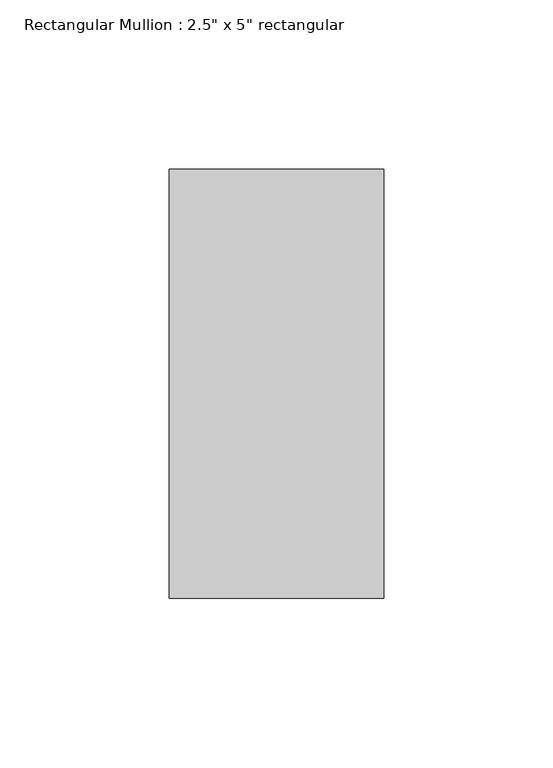
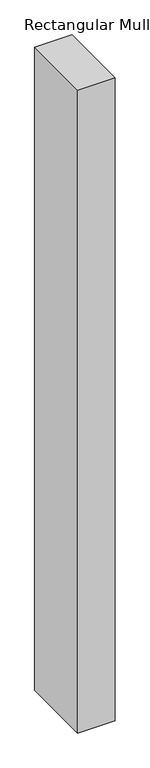
"""IFC4 building model written with IfcOpenShell, lengths in millimetres: member geometry."""

from ifc_helpers import new_model, si_unit, frame, origin, place, context, project, spatial, polyline, outline, extrude, source, transform, mapped, element, save


def member_7995809e(model_context):
    return source(origin(), model_context, "Body", "SweptSolid", [
        extrude(outline(polyline([(0.0, 63.5), (0.0, -63.5), (-63.5, -63.5), (-63.5, 63.5), (0.0, 63.5)])), frame((0.0, 0.0, -1157.2875), z_axis=(0.0, 0.0, 1.0), x_axis=(1.0, 0.0, 0.0)), (0.0, 0.0, 1.0), 1157.2875),
    ])


if __name__ == "__main__":
    model = new_model("IFC4")
    model_context = context("Model", 3, world=origin())
    ifc_project = project(units=[si_unit("LENGTHUNIT", "METRE", prefix="MILLI")], contexts=[model_context])
    site = spatial("IfcSite", under=ifc_project)
    building = spatial("IfcBuilding", under=site)
    placement = place(None, origin())
    member_shape = member_7995809e(model_context)
    element("IfcMember", 1, ObjectType="Rectangular Mullion : 2.5\" x 5\" rectangular", at=placement, inside=building, context=model_context, shape_type="MappedRepresentation", body=[
        mapped(member_shape, transform((0.0, 0.0, 0.0), x_axis=(1.0, 0.0, 0.0), y_axis=(0.0, 1.0, 0.0), z_axis=(0.0, 0.0, 1.0))),
    ])
    save(model, "model.ifc")
